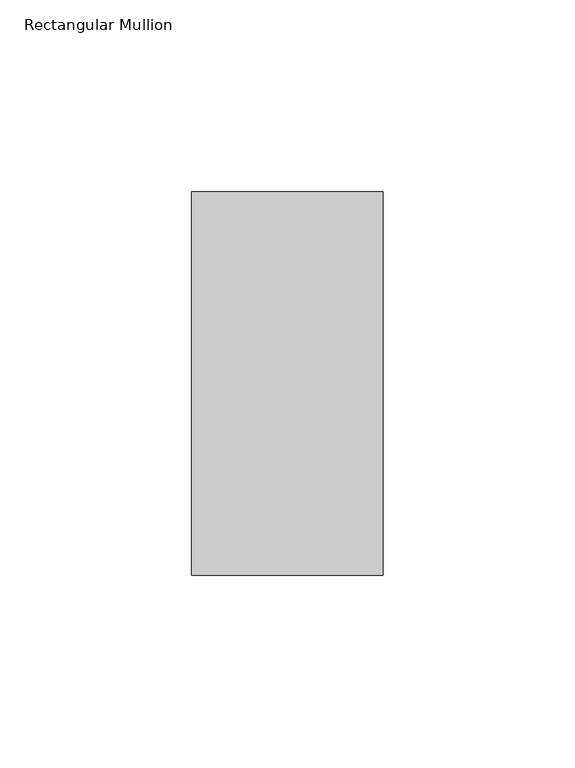
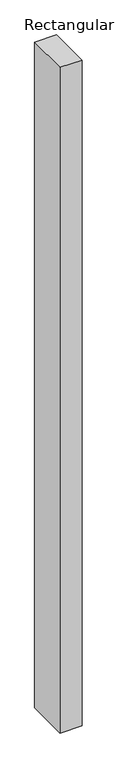
"""IFC4 building model written with IfcOpenShell, lengths in millimetres: member geometry, Rectangular Mullion."""

from ifc_helpers import new_model, si_unit, frame, origin, place, context, project, spatial, polyline, outline, extrude, source, transform, mapped, element, save


def rectangular_mullion_dafa9a82(model_context):
    return source(origin(), model_context, "Body", "SweptSolid", [
        extrude(outline(polyline([(25.0, 69.0), (25.0, -31.0), (-25.0, -31.0), (-25.0, 69.0), (25.0, 69.0)])), frame((0.0, 0.0, -1600.0), z_axis=(0.0, 0.0, 1.0), x_axis=(1.0, 0.0, 0.0)), (0.0, 0.0, 1.0), 1600.0),
    ])


if __name__ == "__main__":
    model = new_model("IFC4")
    model_context = context("Model", 3, world=origin())
    ifc_project = project(units=[si_unit("LENGTHUNIT", "METRE", prefix="MILLI")], contexts=[model_context])
    site = spatial("IfcSite", under=ifc_project)
    building = spatial("IfcBuilding", under=site)
    placement = place(None, origin())
    rectangular_mullion_shape = rectangular_mullion_dafa9a82(model_context)
    element("IfcMember", 1, ObjectType="Rectangular Mullion", at=placement, inside=building, context=model_context, shape_type="MappedRepresentation", body=[
        mapped(rectangular_mullion_shape, transform((0.0, 0.0, 0.0), x_axis=(1.0, 0.0, 0.0), y_axis=(0.0, 1.0, 0.0), z_axis=(0.0, 0.0, 1.0))),
    ])
    save(model, "model.ifc")
